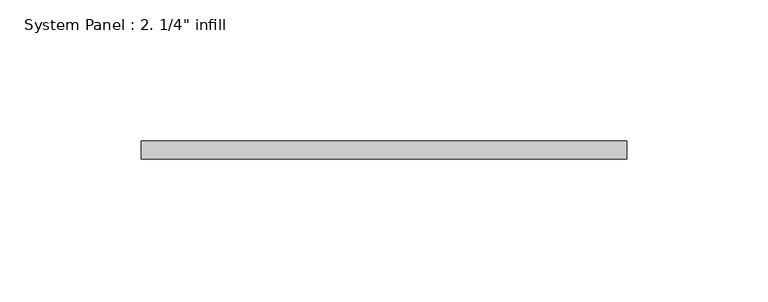
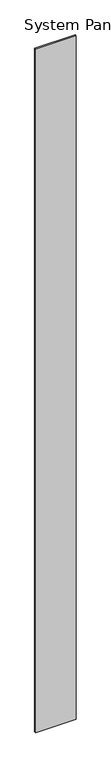
"""IFC4 building model written with IfcOpenShell, lengths in millimetres: plate geometry."""

from ifc_helpers import new_model, si_unit, origin, origin_with_axes, place, context, project, spatial, polyline, outline, extrude, source, transform, mapped, element, save


def plate_6e5fc3c6(model_context):
    return source(origin(), model_context, "Body", "SweptSolid", [
        extrude(outline(polyline([(85.725, -6.35), (-85.725, -6.35), (-85.725, 0.0), (85.725, 0.0), (85.725, -6.35)])), origin_with_axes(), (0.0, 0.0, 1.0), 3048.0),
    ])


if __name__ == "__main__":
    model = new_model("IFC4")
    model_context = context("Model", 3, world=origin())
    ifc_project = project(units=[si_unit("LENGTHUNIT", "METRE", prefix="MILLI")], contexts=[model_context])
    site = spatial("IfcSite", under=ifc_project)
    building = spatial("IfcBuilding", under=site)
    placement = place(None, origin())
    plate_shape = plate_6e5fc3c6(model_context)
    element("IfcPlate", 1, ObjectType="System Panel : 2. 1/4\" infill", at=placement, inside=building, context=model_context, shape_type="MappedRepresentation", body=[
        mapped(plate_shape, transform((0.0, 0.0, 0.0), x_axis=(1.0, 0.0, 0.0), y_axis=(0.0, 1.0, 0.0), z_axis=(0.0, 0.0, 1.0))),
    ])
    save(model, "model.ifc")
